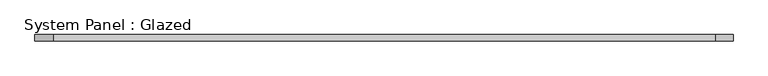
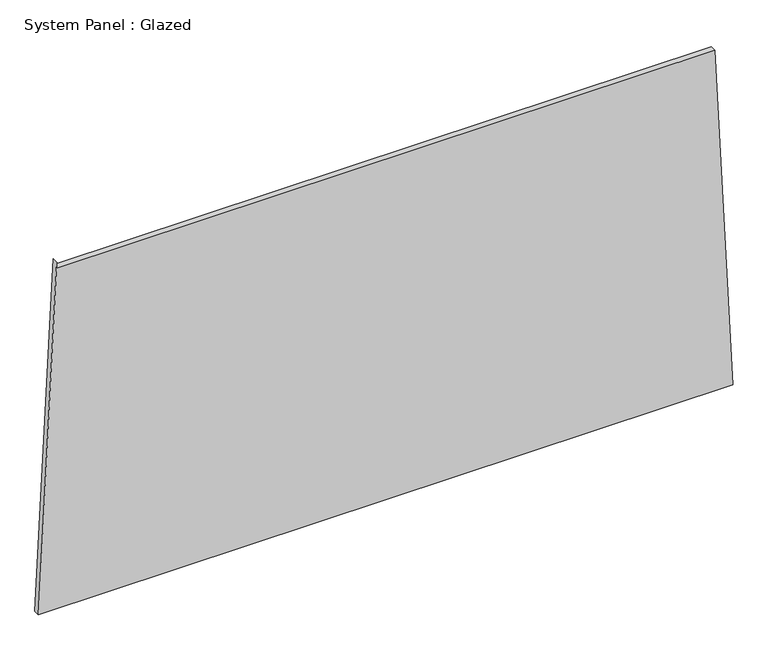
"""IFC4 building model written with IfcOpenShell, lengths in millimetres: plate geometry, System Panel : Glazed."""

import ifcopenshell
import ifcopenshell.guid

model = None  # the IFC model being written
_history = None  # IfcOwnerHistory: only IFC2X3 demands one
_inside = {}  # id of a spatial element -> (the spatial element, [elements in it])
_under = {}  # id of a project, library or spatial element -> (it, [spatial elements below it])
_declared = {}  # id of a project -> (the project, [libraries it declares])
_typed = {}  # id of a type object -> (the type object, [elements of that type])
_made_of = {}  # id of a material, layer set ... -> (it, [elements and type objects made of it])


def new_model(schema):
    """Start an empty IFC model of exactly this schema.

    Asked for "IFC4X3", IfcOpenShell would pick the latest addendum, in which some entities
    have other attributes; the version numbers below select the first issue.
    IFC2X3 requires an IfcOwnerHistory on every rooted entity: one is made here for all.
    """
    global model, _history
    if schema == "IFC4X3":
        model = ifcopenshell.file(schema_version=(4, 3, 0, 0))
    else:
        model = ifcopenshell.file(schema=schema)
    _inside.clear()
    _under.clear()
    _declared.clear()
    _typed.clear()
    _made_of.clear()
    _history = None
    if model.schema == "IFC2X3":
        org = make("IfcOrganization", Name="unknown")
        user = make(
            "IfcPersonAndOrganization",
            ThePerson=make("IfcPerson", FamilyName="unknown"),
            TheOrganization=org,
        )
        app = make(
            "IfcApplication",
            ApplicationDeveloper=org,
            Version="unknown",
            ApplicationFullName="unknown",
            ApplicationIdentifier="unknown",
        )
        _history = make(
            "IfcOwnerHistory",
            OwningUser=user,
            OwningApplication=app,
            ChangeAction="ADDED",
            CreationDate=0,
        )
    return model


def make(cls, **values):
    """One entity of the class cls with the attributes given. An attribute that is None is left unset."""
    return model.create_entity(
        cls, **{name: value for name, value in values.items() if value is not None}
    )


def rooted(cls, **values):
    """An entity with a GlobalId (a new one), such as an element, a storey or a relation."""
    return make(cls, GlobalId=ifcopenshell.guid.new(), OwnerHistory=_history, **values)


def si_unit(unit_type, name, prefix=None):
    """IfcSIUnit, for example si_unit("LENGTHUNIT", "METRE", prefix="MILLI")."""
    return make("IfcSIUnit", UnitType=unit_type, Prefix=prefix, Name=name)


def assignment(units):
    """IfcUnitAssignment: the units of a project."""
    return None if units is None else make("IfcUnitAssignment", Units=units)


def point(xyz):
    """IfcCartesianPoint."""
    return None if xyz is None else make("IfcCartesianPoint", Coordinates=xyz)


def direction(xyz):
    """IfcDirection."""
    return None if xyz is None else make("IfcDirection", DirectionRatios=xyz)


def frame(location, z_axis=None, x_axis=None):
    """IfcAxis2Placement3D, a coordinate frame: its origin and axes. An axis left out is left unset."""
    return make(
        "IfcAxis2Placement3D",
        Location=point(location),
        Axis=direction(z_axis),
        RefDirection=direction(x_axis),
    )


def origin():
    """The frame at (0, 0, 0) with its axes left unset."""
    return frame((0.0, 0.0, 0.0))


def place(relative_to, where):
    """IfcLocalPlacement: puts the frame where relative to a parent placement (None: the world)."""
    return make(
        "IfcLocalPlacement", PlacementRelTo=relative_to, RelativePlacement=where
    )


def context(
    kind, dimensions, precision=None, world=None, true_north=None, identifier=None
):
    """IfcGeometricRepresentationContext, for example the 3D "Model" context."""
    return make(
        "IfcGeometricRepresentationContext",
        ContextIdentifier=identifier,
        ContextType=kind,
        CoordinateSpaceDimension=dimensions,
        Precision=precision,
        WorldCoordinateSystem=world,
        TrueNorth=true_north,
    )


def project(units=None, contexts=None):
    """IfcProject with its units and contexts."""
    return rooted(
        "IfcProject",
        Name="project",
        RepresentationContexts=contexts,
        UnitsInContext=assignment(units),
    )


def spatial(cls, under=None, at=None, **own):
    """A site, building, storey or space (cls), placed at a placement, below another one or the project."""
    s = rooted(cls, ObjectPlacement=at, **own)
    if under is not None:
        _under.setdefault(under.id(), (under, []))[1].append(s)
    return s


def polyline(points):
    """IfcPolyline through the points."""
    return make("IfcPolyline", Points=[point(p) for p in points])


def outline(outer, holes=None, kind="AREA"):
    """IfcArbitraryClosedProfileDef: a profile drawn as a closed curve; with holes, ...WithVoids."""
    if holes is None:
        return make("IfcArbitraryClosedProfileDef", ProfileType=kind, OuterCurve=outer)
    return make(
        "IfcArbitraryProfileDefWithVoids",
        ProfileType=kind,
        OuterCurve=outer,
        InnerCurves=holes,
    )


def extrude(swept, where, along, depth):
    """IfcExtrudedAreaSolid: the profile swept, set in the frame where, extruded along a direction by depth."""
    return make(
        "IfcExtrudedAreaSolid",
        SweptArea=swept,
        Position=where,
        ExtrudedDirection=direction(along),
        Depth=depth,
    )


def shape(context_of_items, identifier, shape_type, items):
    """IfcShapeRepresentation: the items that make up one representation, for example the "Body"."""
    return make(
        "IfcShapeRepresentation",
        ContextOfItems=context_of_items,
        RepresentationIdentifier=identifier,
        RepresentationType=shape_type,
        Items=items,
    )


def source(mapping_origin, context_of_items, identifier, shape_type, items):
    """IfcRepresentationMap: a shape defined once, which mapped items show again and again."""
    return make(
        "IfcRepresentationMap",
        MappingOrigin=mapping_origin,
        MappedRepresentation=shape(context_of_items, identifier, shape_type, items),
    )


def transform(
    local_origin,
    x_axis=None,
    y_axis=None,
    z_axis=None,
    scale=None,
    scale2=None,
    scale3=None,
    uniform=True,
):
    """IfcCartesianTransformationOperator3D, or its non-uniform kind. x_axis, y_axis, z_axis: its Axis1, 2, 3."""
    if uniform:
        return make(
            "IfcCartesianTransformationOperator3D",
            Axis1=direction(x_axis),
            Axis2=direction(y_axis),
            LocalOrigin=point(local_origin),
            Scale=scale,
            Axis3=direction(z_axis),
        )
    return make(
        "IfcCartesianTransformationOperator3DnonUniform",
        Axis1=direction(x_axis),
        Axis2=direction(y_axis),
        LocalOrigin=point(local_origin),
        Scale=scale,
        Axis3=direction(z_axis),
        Scale2=scale2,
        Scale3=scale3,
    )


def mapped(mapping_source, mapping_target):
    """IfcMappedItem: shows the shape of a source again, moved by a transform."""
    return make(
        "IfcMappedItem", MappingSource=mapping_source, MappingTarget=mapping_target
    )


def made_of(thing, what):
    """Note that an element or type object is made of a material, layer set ...; save() writes the relation."""
    if what is not None:
        _made_of.setdefault(what.id(), (what, []))[1].append(thing)
    return thing


def element(
    cls,
    number,
    at=None,
    inside=None,
    cuts=None,
    type_object=None,
    material=None,
    context=None,
    identifier="Body",
    shape_type=None,
    held_by="IfcProductDefinitionShape",
    body=None,
    shapes=None,
    **own,
):
    """One element of the class cls, such as IfcWall. Its Tag is "e" and its number.

    at: its placement. inside: the storey or other place that contains it. cuts: it is an
    opening in that element (IfcRelVoidsElement). A single representation is given by context,
    identifier, shape_type and body (its items); several are given by shapes. held_by: the class
    of the entity that holds the representations. save() writes the other relations.
    """
    e = rooted(cls, Tag="e%d" % number, ObjectPlacement=at, **own)
    if body is not None:
        shapes = [shape(context, identifier, shape_type, body)]
    if shapes is not None:
        e.Representation = make(held_by, Representations=shapes)
    if inside is not None:
        _inside.setdefault(inside.id(), (inside, []))[1].append(e)
    if cuts is not None:
        rooted(
            "IfcRelVoidsElement", RelatingBuildingElement=cuts, RelatedOpeningElement=e
        )
    if type_object is not None:
        _typed.setdefault(type_object.id(), (type_object, []))[1].append(e)
    return made_of(e, material)


def aggregate(whole, parts):
    """IfcRelAggregates: a whole, such as a stair, and the parts it consists of."""
    return rooted("IfcRelAggregates", RelatingObject=whole, RelatedObjects=parts)


def save(model, path):
    """Write the relations noted so far, then the file.

    IfcRelAggregates (storeys below a building ...), IfcRelContainedInSpatialStructure (elements
    in a storey), IfcRelDefinesByType, IfcRelAssociatesMaterial and IfcRelDeclares: one each for
    every whole, place, type object, material and project.
    """
    for whole, parts in _under.values():
        aggregate(whole, parts)
    for where, things in _inside.values():
        rooted(
            "IfcRelContainedInSpatialStructure",
            RelatedElements=things,
            RelatingStructure=where,
        )
    for kind, things in _typed.values():
        rooted("IfcRelDefinesByType", RelatedObjects=things, RelatingType=kind)
    for what, things in _made_of.values():
        rooted("IfcRelAssociatesMaterial", RelatedObjects=things, RelatingMaterial=what)
    for by, libraries in _declared.values():
        rooted("IfcRelDeclares", RelatingContext=by, RelatedDefinitions=libraries)
    model.write(path)


def system_panel_glazed_8eace3d1(model_context):
    return source(origin(), model_context, "Body", "SweptSolid", [
        extrude(outline(polyline([(0.0, -1398.1880713), (0.0, 1398.1880713), (1448.1532791, 1326.2644264), (1448.1527838, -1325.0205669), (1473.1527838, -1325.0205715), (0.0, -1398.1880713)])), frame((0.0, -49.5, 0.0), z_axis=(0.0, 1.0, 0.0), x_axis=(0.0, 0.0, 1.0)), (0.0, 0.0, 1.0), 25.0),
    ])


if __name__ == "__main__":
    model = new_model("IFC4")
    model_context = context("Model", 3, world=origin())
    ifc_project = project(units=[si_unit("LENGTHUNIT", "METRE", prefix="MILLI")], contexts=[model_context])
    site = spatial("IfcSite", under=ifc_project)
    building = spatial("IfcBuilding", under=site)
    placement = place(None, origin())
    system_panel_glazed_shape = system_panel_glazed_8eace3d1(model_context)
    element("IfcPlate", 1, ObjectType="System Panel : Glazed", at=placement, inside=building, context=model_context, shape_type="MappedRepresentation", body=[
        mapped(system_panel_glazed_shape, transform((0.0, 0.0, 0.0), x_axis=(1.0, 0.0, 0.0), y_axis=(0.0, 1.0, 0.0), z_axis=(0.0, 0.0, 1.0))),
    ])
    save(model, "model.ifc")
